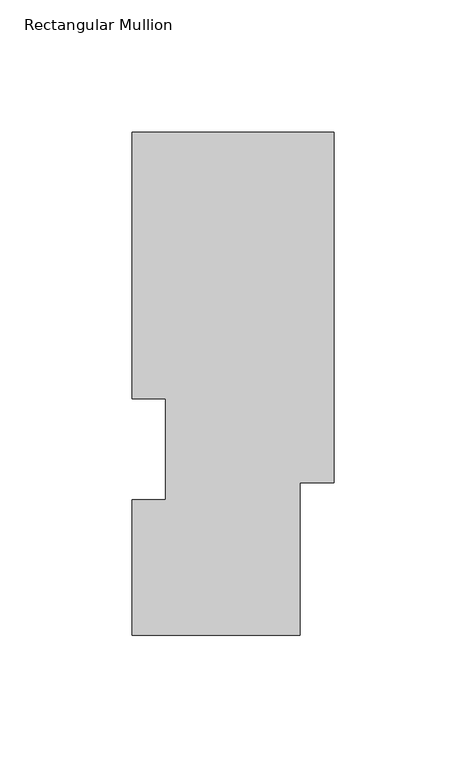
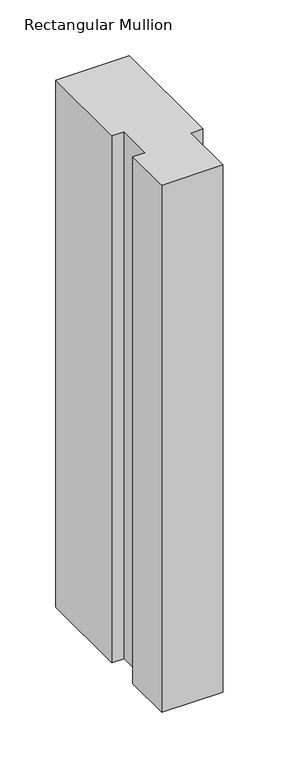
"""IFC4 building model written with IfcOpenShell, lengths in millimetres: member geometry, Rectangular Mullion."""

import ifcopenshell
import ifcopenshell.guid

model = None  # the IFC model being written
_history = None  # IfcOwnerHistory: only IFC2X3 demands one
_inside = {}  # id of a spatial element -> (the spatial element, [elements in it])
_under = {}  # id of a project, library or spatial element -> (it, [spatial elements below it])
_declared = {}  # id of a project -> (the project, [libraries it declares])
_typed = {}  # id of a type object -> (the type object, [elements of that type])
_made_of = {}  # id of a material, layer set ... -> (it, [elements and type objects made of it])


def new_model(schema):
    """Start an empty IFC model of exactly this schema.

    Asked for "IFC4X3", IfcOpenShell would pick the latest addendum, in which some entities
    have other attributes; the version numbers below select the first issue.
    IFC2X3 requires an IfcOwnerHistory on every rooted entity: one is made here for all.
    """
    global model, _history
    if schema == "IFC4X3":
        model = ifcopenshell.file(schema_version=(4, 3, 0, 0))
    else:
        model = ifcopenshell.file(schema=schema)
    _inside.clear()
    _under.clear()
    _declared.clear()
    _typed.clear()
    _made_of.clear()
    _history = None
    if model.schema == "IFC2X3":
        org = make("IfcOrganization", Name="unknown")
        user = make(
            "IfcPersonAndOrganization",
            ThePerson=make("IfcPerson", FamilyName="unknown"),
            TheOrganization=org,
        )
        app = make(
            "IfcApplication",
            ApplicationDeveloper=org,
            Version="unknown",
            ApplicationFullName="unknown",
            ApplicationIdentifier="unknown",
        )
        _history = make(
            "IfcOwnerHistory",
            OwningUser=user,
            OwningApplication=app,
            ChangeAction="ADDED",
            CreationDate=0,
        )
    return model


def make(cls, **values):
    """One entity of the class cls with the attributes given. An attribute that is None is left unset."""
    return model.create_entity(
        cls, **{name: value for name, value in values.items() if value is not None}
    )


def rooted(cls, **values):
    """An entity with a GlobalId (a new one), such as an element, a storey or a relation."""
    return make(cls, GlobalId=ifcopenshell.guid.new(), OwnerHistory=_history, **values)


def si_unit(unit_type, name, prefix=None):
    """IfcSIUnit, for example si_unit("LENGTHUNIT", "METRE", prefix="MILLI")."""
    return make("IfcSIUnit", UnitType=unit_type, Prefix=prefix, Name=name)


def assignment(units):
    """IfcUnitAssignment: the units of a project."""
    return None if units is None else make("IfcUnitAssignment", Units=units)


def point(xyz):
    """IfcCartesianPoint."""
    return None if xyz is None else make("IfcCartesianPoint", Coordinates=xyz)


def direction(xyz):
    """IfcDirection."""
    return None if xyz is None else make("IfcDirection", DirectionRatios=xyz)


def frame(location, z_axis=None, x_axis=None):
    """IfcAxis2Placement3D, a coordinate frame: its origin and axes. An axis left out is left unset."""
    return make(
        "IfcAxis2Placement3D",
        Location=point(location),
        Axis=direction(z_axis),
        RefDirection=direction(x_axis),
    )


def origin():
    """The frame at (0, 0, 0) with its axes left unset."""
    return frame((0.0, 0.0, 0.0))


def place(relative_to, where):
    """IfcLocalPlacement: puts the frame where relative to a parent placement (None: the world)."""
    return make(
        "IfcLocalPlacement", PlacementRelTo=relative_to, RelativePlacement=where
    )


def context(
    kind, dimensions, precision=None, world=None, true_north=None, identifier=None
):
    """IfcGeometricRepresentationContext, for example the 3D "Model" context."""
    return make(
        "IfcGeometricRepresentationContext",
        ContextIdentifier=identifier,
        ContextType=kind,
        CoordinateSpaceDimension=dimensions,
        Precision=precision,
        WorldCoordinateSystem=world,
        TrueNorth=true_north,
    )


def project(units=None, contexts=None):
    """IfcProject with its units and contexts."""
    return rooted(
        "IfcProject",
        Name="project",
        RepresentationContexts=contexts,
        UnitsInContext=assignment(units),
    )


def spatial(cls, under=None, at=None, **own):
    """A site, building, storey or space (cls), placed at a placement, below another one or the project."""
    s = rooted(cls, ObjectPlacement=at, **own)
    if under is not None:
        _under.setdefault(under.id(), (under, []))[1].append(s)
    return s


def polyline(points):
    """IfcPolyline through the points."""
    return make("IfcPolyline", Points=[point(p) for p in points])


def outline(outer, holes=None, kind="AREA"):
    """IfcArbitraryClosedProfileDef: a profile drawn as a closed curve; with holes, ...WithVoids."""
    if holes is None:
        return make("IfcArbitraryClosedProfileDef", ProfileType=kind, OuterCurve=outer)
    return make(
        "IfcArbitraryProfileDefWithVoids",
        ProfileType=kind,
        OuterCurve=outer,
        InnerCurves=holes,
    )


def extrude(swept, where, along, depth):
    """IfcExtrudedAreaSolid: the profile swept, set in the frame where, extruded along a direction by depth."""
    return make(
        "IfcExtrudedAreaSolid",
        SweptArea=swept,
        Position=where,
        ExtrudedDirection=direction(along),
        Depth=depth,
    )


def shape(context_of_items, identifier, shape_type, items):
    """IfcShapeRepresentation: the items that make up one representation, for example the "Body"."""
    return make(
        "IfcShapeRepresentation",
        ContextOfItems=context_of_items,
        RepresentationIdentifier=identifier,
        RepresentationType=shape_type,
        Items=items,
    )


def source(mapping_origin, context_of_items, identifier, shape_type, items):
    """IfcRepresentationMap: a shape defined once, which mapped items show again and again."""
    return make(
        "IfcRepresentationMap",
        MappingOrigin=mapping_origin,
        MappedRepresentation=shape(context_of_items, identifier, shape_type, items),
    )


def transform(
    local_origin,
    x_axis=None,
    y_axis=None,
    z_axis=None,
    scale=None,
    scale2=None,
    scale3=None,
    uniform=True,
):
    """IfcCartesianTransformationOperator3D, or its non-uniform kind. x_axis, y_axis, z_axis: its Axis1, 2, 3."""
    if uniform:
        return make(
            "IfcCartesianTransformationOperator3D",
            Axis1=direction(x_axis),
            Axis2=direction(y_axis),
            LocalOrigin=point(local_origin),
            Scale=scale,
            Axis3=direction(z_axis),
        )
    return make(
        "IfcCartesianTransformationOperator3DnonUniform",
        Axis1=direction(x_axis),
        Axis2=direction(y_axis),
        LocalOrigin=point(local_origin),
        Scale=scale,
        Axis3=direction(z_axis),
        Scale2=scale2,
        Scale3=scale3,
    )


def mapped(mapping_source, mapping_target):
    """IfcMappedItem: shows the shape of a source again, moved by a transform."""
    return make(
        "IfcMappedItem", MappingSource=mapping_source, MappingTarget=mapping_target
    )


def made_of(thing, what):
    """Note that an element or type object is made of a material, layer set ...; save() writes the relation."""
    if what is not None:
        _made_of.setdefault(what.id(), (what, []))[1].append(thing)
    return thing


def element(
    cls,
    number,
    at=None,
    inside=None,
    cuts=None,
    type_object=None,
    material=None,
    context=None,
    identifier="Body",
    shape_type=None,
    held_by="IfcProductDefinitionShape",
    body=None,
    shapes=None,
    **own,
):
    """One element of the class cls, such as IfcWall. Its Tag is "e" and its number.

    at: its placement. inside: the storey or other place that contains it. cuts: it is an
    opening in that element (IfcRelVoidsElement). A single representation is given by context,
    identifier, shape_type and body (its items); several are given by shapes. held_by: the class
    of the entity that holds the representations. save() writes the other relations.
    """
    e = rooted(cls, Tag="e%d" % number, ObjectPlacement=at, **own)
    if body is not None:
        shapes = [shape(context, identifier, shape_type, body)]
    if shapes is not None:
        e.Representation = make(held_by, Representations=shapes)
    if inside is not None:
        _inside.setdefault(inside.id(), (inside, []))[1].append(e)
    if cuts is not None:
        rooted(
            "IfcRelVoidsElement", RelatingBuildingElement=cuts, RelatedOpeningElement=e
        )
    if type_object is not None:
        _typed.setdefault(type_object.id(), (type_object, []))[1].append(e)
    return made_of(e, material)


def aggregate(whole, parts):
    """IfcRelAggregates: a whole, such as a stair, and the parts it consists of."""
    return rooted("IfcRelAggregates", RelatingObject=whole, RelatedObjects=parts)


def save(model, path):
    """Write the relations noted so far, then the file.

    IfcRelAggregates (storeys below a building ...), IfcRelContainedInSpatialStructure (elements
    in a storey), IfcRelDefinesByType, IfcRelAssociatesMaterial and IfcRelDeclares: one each for
    every whole, place, type object, material and project.
    """
    for whole, parts in _under.values():
        aggregate(whole, parts)
    for where, things in _inside.values():
        rooted(
            "IfcRelContainedInSpatialStructure",
            RelatedElements=things,
            RelatingStructure=where,
        )
    for kind, things in _typed.values():
        rooted("IfcRelDefinesByType", RelatedObjects=things, RelatingType=kind)
    for what, things in _made_of.values():
        rooted("IfcRelAssociatesMaterial", RelatedObjects=things, RelatingMaterial=what)
    for by, libraries in _declared.values():
        rooted("IfcRelDeclares", RelatingContext=by, RelatedDefinitions=libraries)
    model.write(path)


def rectangular_mullion_cb7b456a(model_context):
    return source(origin(), model_context, "Body", "SweptSolid", [
        extrude(outline(polyline([(-76.2, 190.2801312), (0.0, 190.2801312), (0.0, 57.8445312), (-12.7, 57.8445312), (-12.7, 0.2119312), (-76.2, 0.2119312), (-76.2, 51.4945312), (-63.4943324, 51.4945312), (-63.4943324, 89.5945313), (-76.2, 89.5945313), (-76.2, 190.2801312)])), frame((0.0, 0.0, -577.85), z_axis=(0.0, 0.0, 1.0), x_axis=(1.0, 0.0, 0.0)), (0.0, 0.0, 1.0), 577.85),
    ])


if __name__ == "__main__":
    model = new_model("IFC4")
    model_context = context("Model", 3, world=origin())
    ifc_project = project(units=[si_unit("LENGTHUNIT", "METRE", prefix="MILLI")], contexts=[model_context])
    site = spatial("IfcSite", under=ifc_project)
    building = spatial("IfcBuilding", under=site)
    placement = place(None, origin())
    rectangular_mullion_shape = rectangular_mullion_cb7b456a(model_context)
    element("IfcMember", 1, ObjectType="Rectangular Mullion", at=placement, inside=building, context=model_context, shape_type="MappedRepresentation", body=[
        mapped(rectangular_mullion_shape, transform((0.0, 0.0, 0.0), x_axis=(1.0, 0.0, 0.0), y_axis=(0.0, 1.0, 0.0), z_axis=(0.0, 0.0, 1.0))),
    ])
    save(model, "model.ifc")
